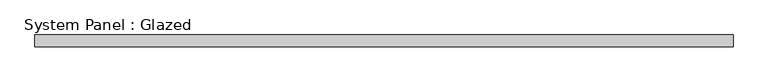
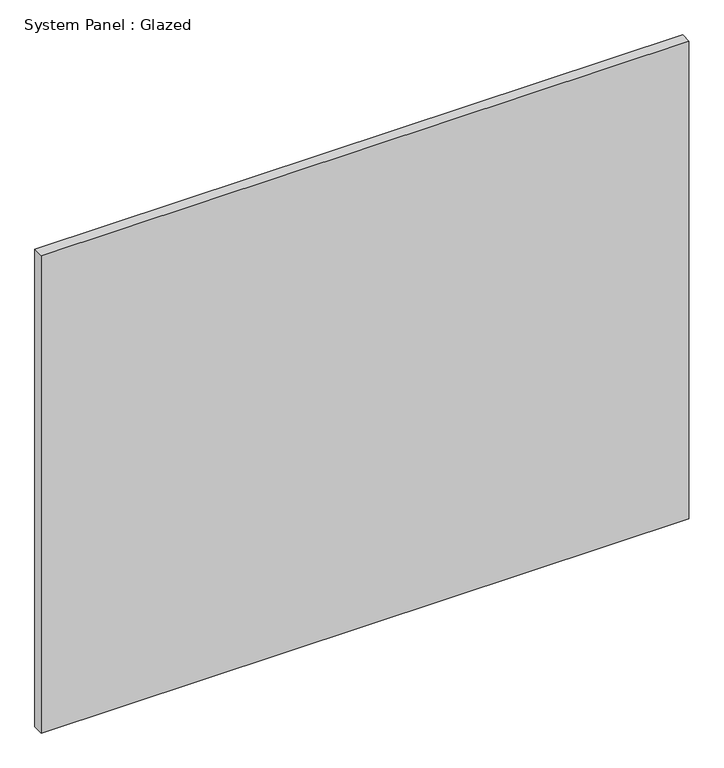
"""IFC4 building model written with IfcOpenShell, lengths in millimetres: plate geometry, System Panel : Glazed."""

from ifc_helpers import new_model, si_unit, origin, origin_with_axes, place, context, project, spatial, polyline, outline, extrude, source, transform, mapped, element, save


def system_panel_glazed_f9957a20(model_context):
    return source(origin(), model_context, "Body", "SweptSolid", [
        extrude(outline(polyline([(762.0, -12.7), (-762.0, -12.7), (-762.0, 12.7), (762.0, 12.7), (762.0, -12.7)])), origin_with_axes(), (0.0, 0.0, 1.0), 1187.45),
    ])


if __name__ == "__main__":
    model = new_model("IFC4")
    model_context = context("Model", 3, world=origin())
    ifc_project = project(units=[si_unit("LENGTHUNIT", "METRE", prefix="MILLI")], contexts=[model_context])
    site = spatial("IfcSite", under=ifc_project)
    building = spatial("IfcBuilding", under=site)
    placement = place(None, origin())
    system_panel_glazed_shape = system_panel_glazed_f9957a20(model_context)
    element("IfcPlate", 1, ObjectType="System Panel : Glazed", at=placement, inside=building, context=model_context, shape_type="MappedRepresentation", body=[
        mapped(system_panel_glazed_shape, transform((0.0, 0.0, 0.0), x_axis=(1.0, 0.0, 0.0), y_axis=(0.0, 1.0, 0.0), z_axis=(0.0, 0.0, 1.0))),
    ])
    save(model, "model.ifc")
